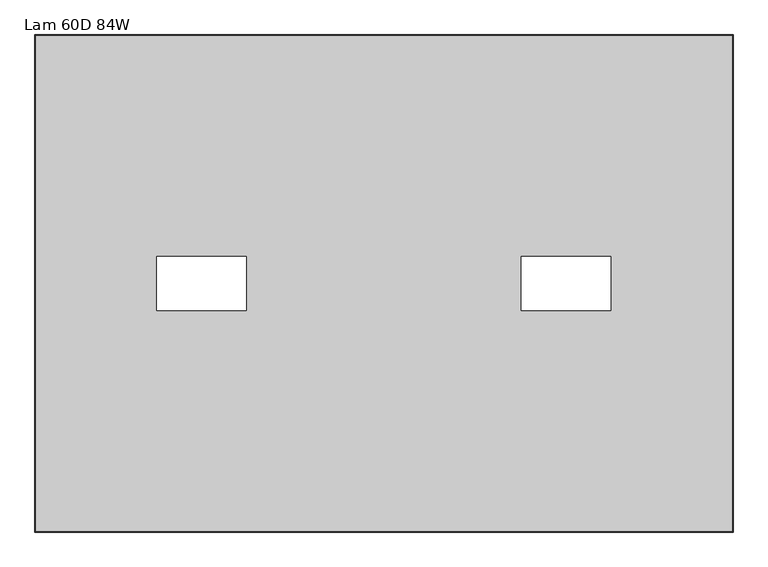
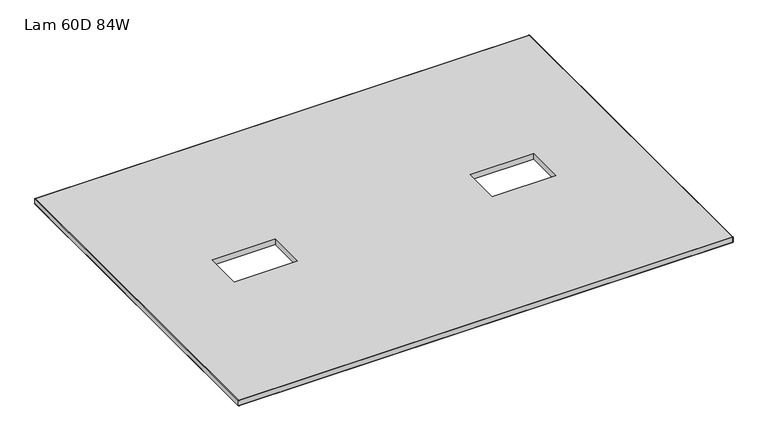
"""IFC4 building model written with IfcOpenShell, lengths in millimetres: furniture geometry, Lam 60D 84W."""

from ifc_helpers import new_model, si_unit, frame, origin, place, context, project, spatial, polyline, ellipse_curve, outline, extrude, source, transform, mapped, element, save
from ifc_brep_helpers import plane_surface, cylinder_surface, advanced_brep


def lam_60d_84w_74f35a20(model_context):
    return source(origin(), model_context, "Body", "SolidModel", [
        advanced_brep(
        [(-1097.0, 757.2248, 723.9), (-1097.0, 757.2248, 698.5), (1028.9518, 757.2248, 698.5), (1028.9518, 757.2248, 723.9), (1028.9518, -757.2248, 698.5), (1028.9518, -757.2248, 723.9), (-1097.0, -757.2248, 698.5), (-1097.0, -757.2248, 723.9), (-1098.6002, 758.825, 700.1002), (-1098.6002, 758.825, 722.2998), (1030.552, 758.825, 722.2998), (1030.552, 758.825, 700.1002), (1030.552, -758.825, 722.2998), (1030.552, -758.825, 700.1002), (-1098.6002, -758.825, 722.2998), (-1098.6002, -758.825, 700.1002)],
        [
            (0, 1),
            (1, 2),
            (2, 3),
            (3, 0),
            (2, 4),
            (4, 5),
            (5, 3),
            (4, 6),
            (6, 7),
            (7, 5),
            (6, 1),
            (0, 7),
            (8, 9),
            (9, 10),
            (10, 11),
            (11, 8),
            (10, 12),
            (12, 13),
            (13, 11),
            (12, 14),
            (14, 15),
            (15, 13),
            (14, 9),
            (8, 15),
            (9, 0, ellipse_curve(frame((-1097.0, 757.2248, 722.2998), z_axis=(0.7071067811865475, 0.7071067811865475, 0.0), x_axis=(-0.7071067811865476, 0.7071067811865474, 0.0)), 2.2630245, 1.6002)),
            (3, 10, ellipse_curve(frame((1028.9518, 757.2248, 722.2998), z_axis=(-0.7071067811865475, 0.7071067811865475, 0.0), x_axis=(-0.7071067811865476, -0.7071067811865474, 0.0)), 2.2630245, 1.6002)),
            (1, 8, ellipse_curve(frame((-1097.0, 757.2248, 700.1002), z_axis=(0.7071067811865475, 0.7071067811865475, 0.0), x_axis=(-0.7071067811865476, 0.7071067811865474, 0.0)), 2.2630245, 1.6002)),
            (11, 2, ellipse_curve(frame((1028.9518, 757.2248, 700.1002), z_axis=(-0.7071067811865475, 0.7071067811865475, 0.0), x_axis=(-0.7071067811865476, -0.7071067811865474, 0.0)), 2.2630245, 1.6002)),
            (5, 12, ellipse_curve(frame((1028.9518, -757.2248, 722.2998), z_axis=(0.7071067811865475, 0.7071067811865475, 0.0), x_axis=(-0.7071067811865474, 0.7071067811865476, 0.0)), 2.2630245, 1.6002)),
            (13, 4, ellipse_curve(frame((1028.9518, -757.2248, 700.1002), z_axis=(0.7071067811865475, 0.7071067811865475, 0.0), x_axis=(-0.7071067811865474, 0.7071067811865476, 0.0)), 2.2630245, 1.6002)),
            (7, 14, ellipse_curve(frame((-1097.0, -757.2248, 722.2998), z_axis=(0.7071067811865475, -0.7071067811865475, 0.0), x_axis=(0.7071067811865476, 0.7071067811865474, 0.0)), 2.2630245, 1.6002)),
            (15, 6, ellipse_curve(frame((-1097.0, -757.2248, 700.1002), z_axis=(0.7071067811865475, -0.7071067811865475, 0.0), x_axis=(0.7071067811865476, 0.7071067811865474, 0.0)), 2.2630245, 1.6002)),
        ],
        [
            plane_surface(frame((-1097.0, 757.2248, 698.5), z_axis=(0.0, -1.0, 0.0), x_axis=(1.0, 0.0, 0.0))),
            plane_surface(frame((1028.9518, 757.2248, 698.5), z_axis=(-1.0, 0.0, 0.0), x_axis=(0.0, -1.0, 0.0))),
            plane_surface(frame((1028.9518, -757.2248, 698.5), z_axis=(0.0, 1.0, 0.0), x_axis=(-1.0, 0.0, 0.0))),
            plane_surface(frame((-1097.0, -757.2248, 698.5), z_axis=(1.0, 0.0, 0.0), x_axis=(0.0, 1.0, 0.0))),
            plane_surface(frame((-1098.6002, 758.825, 722.2998), z_axis=(0.0, 1.0, 0.0), x_axis=(1.0, 0.0, 0.0))),
            plane_surface(frame((1030.552, 758.825, 722.2998), z_axis=(1.0, 0.0, 0.0), x_axis=(0.0, -1.0, 0.0))),
            plane_surface(frame((1030.552, -758.825, 722.2998), z_axis=(0.0, -1.0, 0.0), x_axis=(-1.0, 0.0, 0.0))),
            plane_surface(frame((-1098.6002, -758.825, 722.2998), z_axis=(-1.0, 0.0, 0.0), x_axis=(0.0, 1.0, 0.0))),
            cylinder_surface(frame((-1097.0, 757.2248, 722.2998), z_axis=(-1.0, 0.0, 0.0), x_axis=(0.0, -1.0, 0.0)), 1.6002),
            cylinder_surface(frame((-1097.0, 757.2248, 700.1002), z_axis=(-1.0, 0.0, 0.0), x_axis=(0.0, -1.0, 0.0)), 1.6002),
            cylinder_surface(frame((1028.9518, 757.2248, 722.2998), z_axis=(0.0, 1.0, 0.0), x_axis=(-1.0, 0.0, 0.0)), 1.6002),
            cylinder_surface(frame((1028.9518, 757.2248, 700.1002), z_axis=(0.0, 1.0, 0.0), x_axis=(-1.0, 0.0, 0.0)), 1.6002),
            cylinder_surface(frame((1028.9518, -757.2248, 722.2998), z_axis=(1.0, 0.0, 0.0), x_axis=(0.0, 1.0, 0.0)), 1.6002),
            cylinder_surface(frame((1028.9518, -757.2248, 700.1002), z_axis=(1.0, 0.0, 0.0), x_axis=(0.0, 1.0, 0.0)), 1.6002),
            cylinder_surface(frame((-1097.0, -757.2248, 722.2998), z_axis=(0.0, -1.0, 0.0), x_axis=(1.0, 0.0, 0.0)), 1.6002),
            cylinder_surface(frame((-1097.0, -757.2248, 700.1002), z_axis=(0.0, -1.0, 0.0), x_axis=(1.0, 0.0, 0.0)), 1.6002),
        ],
        [
            (0, [[1, 2, 3, 4]]),
            (1, [[-3, 5, 6, 7]]),
            (2, [[-6, 8, 9, 10]]),
            (3, [[-9, 11, -1, 12]]),
            (4, [[13, 14, 15, 16]]),
            (5, [[-15, 17, 18, 19]]),
            (6, [[-18, 20, 21, 22]]),
            (7, [[-21, 23, -13, 24]]),
            (8, [[25, -4, 26, -14]]),
            (9, [[27, -16, 28, -2]]),
            (10, [[-26, -7, 29, -17]]),
            (11, [[-28, -19, 30, -5]]),
            (12, [[-29, -10, 31, -20]]),
            (13, [[-30, -22, 32, -8]]),
            (14, [[-31, -12, -25, -23]]),
            (15, [[-32, -24, -27, -11]]),
        ],
    ),
        extrude(outline(polyline([(1028.9518, 757.2248), (1028.9518, -757.2248), (-1097.0, -757.2248), (-1097.0, 757.2248), (1028.9518, 757.2248)]), holes=[polyline([(-453.8113, 81.915), (-726.8613, 81.915), (-726.8613, -81.915), (-453.8113, -81.915), (-453.8113, 81.915)]), polyline([(657.4133, 81.915), (384.3633, 81.915), (384.3633, -81.915), (657.4133, -81.915), (657.4133, 81.915)])]), frame((0.0, 0.0, 698.5), z_axis=(0.0, 0.0, 1.0), x_axis=(1.0, 0.0, 0.0)), (0.0, 0.0, 1.0), 25.4),
    ])


if __name__ == "__main__":
    model = new_model("IFC4")
    model_context = context("Model", 3, world=origin())
    ifc_project = project(units=[si_unit("LENGTHUNIT", "METRE", prefix="MILLI")], contexts=[model_context])
    site = spatial("IfcSite", under=ifc_project)
    building = spatial("IfcBuilding", under=site)
    placement = place(None, origin())
    lam_60d_84w_shape = lam_60d_84w_74f35a20(model_context)
    element("IfcFurniture", 1, ObjectType="Lam 60D 84W", at=placement, inside=building, context=model_context, shape_type="MappedRepresentation", body=[
        mapped(lam_60d_84w_shape, transform((0.0, 0.0, 0.0), x_axis=(1.0, 0.0, 0.0), y_axis=(0.0, 1.0, 0.0), z_axis=(0.0, 0.0, 1.0))),
    ])
    save(model, "model.ifc")
